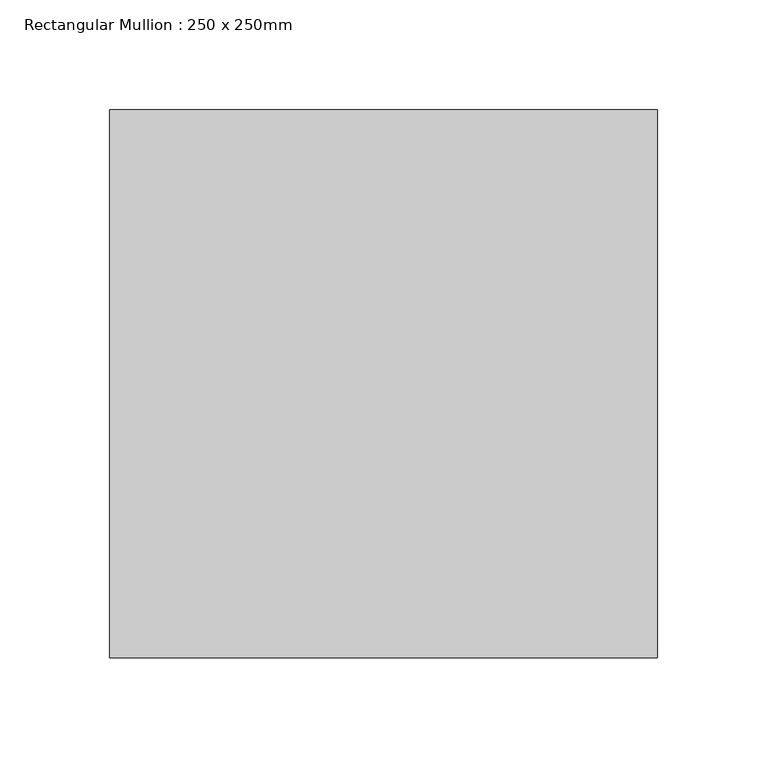
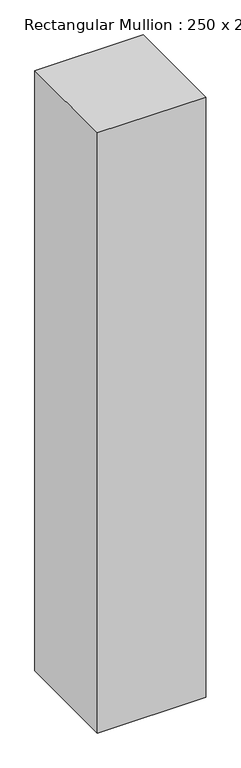
"""IFC4 building model written with IfcOpenShell, lengths in millimetres: member geometry, Rectangular Mullion : 250 x 250mm."""

from ifc_helpers import new_model, si_unit, frame, origin, place, context, project, spatial, polyline, outline, extrude, source, transform, mapped, element, save


def rectangular_mullion_250_x_250mm_7e229109(model_context):
    return source(origin(), model_context, "Body", "SweptSolid", [
        extrude(outline(polyline([(0.0, 125.0), (0.0, -125.0), (-250.0, -125.0), (-250.0, 125.0), (0.0, 125.0)])), frame((0.0, 0.0, -1465.0287526), z_axis=(0.0, 0.0, 1.0), x_axis=(1.0, 0.0, 0.0)), (0.0, 0.0, 1.0), 1465.0287526),
    ])


if __name__ == "__main__":
    model = new_model("IFC4")
    model_context = context("Model", 3, world=origin())
    ifc_project = project(units=[si_unit("LENGTHUNIT", "METRE", prefix="MILLI")], contexts=[model_context])
    site = spatial("IfcSite", under=ifc_project)
    building = spatial("IfcBuilding", under=site)
    placement = place(None, origin())
    rectangular_mullion_250_x_250mm_shape = rectangular_mullion_250_x_250mm_7e229109(model_context)
    element("IfcMember", 1, ObjectType="Rectangular Mullion : 250 x 250mm", at=placement, inside=building, context=model_context, shape_type="MappedRepresentation", body=[
        mapped(rectangular_mullion_250_x_250mm_shape, transform((0.0, 0.0, 0.0), x_axis=(1.0, 0.0, 0.0), y_axis=(0.0, 1.0, 0.0), z_axis=(0.0, 0.0, 1.0))),
    ])
    save(model, "model.ifc")
